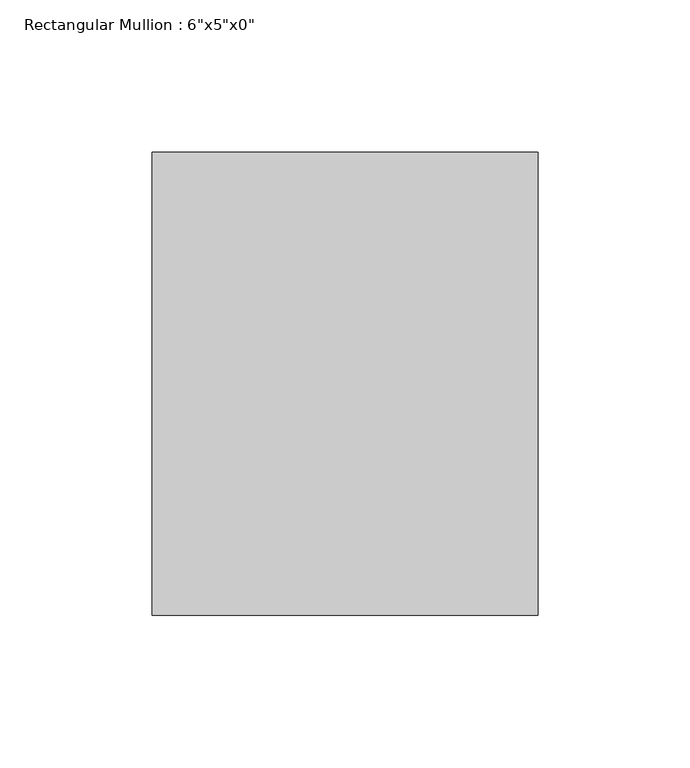
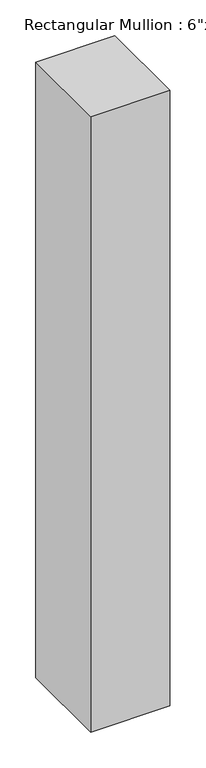
"""IFC4 building model written with IfcOpenShell, lengths in millimetres: member geometry."""

from ifc_helpers import new_model, si_unit, frame, origin, place, context, project, spatial, polyline, outline, extrude, source, transform, mapped, element, save


def member_6a8ff622(model_context):
    return source(origin(), model_context, "Body", "SweptSolid", [
        extrude(outline(polyline([(0.0, 76.2), (0.0, -76.2), (-127.0, -76.2), (-127.0, 76.2), (0.0, 76.2)])), frame((0.0, 0.0, -1045.6333333), z_axis=(0.0, 0.0, 1.0), x_axis=(1.0, 0.0, 0.0)), (0.0, 0.0, 1.0), 1045.6333333),
    ])


if __name__ == "__main__":
    model = new_model("IFC4")
    model_context = context("Model", 3, world=origin())
    ifc_project = project(units=[si_unit("LENGTHUNIT", "METRE", prefix="MILLI")], contexts=[model_context])
    site = spatial("IfcSite", under=ifc_project)
    building = spatial("IfcBuilding", under=site)
    placement = place(None, origin())
    member_shape = member_6a8ff622(model_context)
    element("IfcMember", 1, ObjectType="Rectangular Mullion : 6\"x5\"x0\"", at=placement, inside=building, context=model_context, shape_type="MappedRepresentation", body=[
        mapped(member_shape, transform((0.0, 0.0, 0.0), x_axis=(1.0, 0.0, 0.0), y_axis=(0.0, 1.0, 0.0), z_axis=(0.0, 0.0, 1.0))),
    ])
    save(model, "model.ifc")
